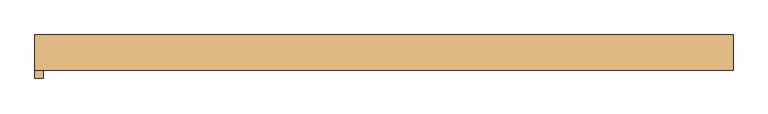
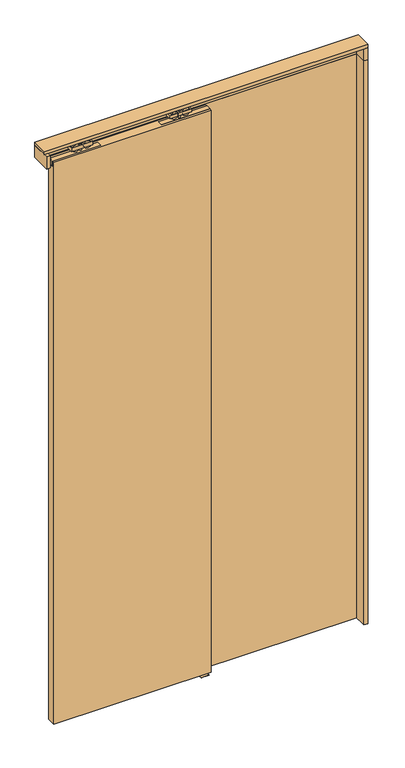
"""IFC4 building model written with IfcOpenShell, lengths in millimetres: door geometry."""

import ifcopenshell
import ifcopenshell.guid

model = None  # the IFC model being written
_history = None  # IfcOwnerHistory: only IFC2X3 demands one
_inside = {}  # id of a spatial element -> (the spatial element, [elements in it])
_under = {}  # id of a project, library or spatial element -> (it, [spatial elements below it])
_declared = {}  # id of a project -> (the project, [libraries it declares])
_typed = {}  # id of a type object -> (the type object, [elements of that type])
_made_of = {}  # id of a material, layer set ... -> (it, [elements and type objects made of it])


def new_model(schema):
    """Start an empty IFC model of exactly this schema.

    Asked for "IFC4X3", IfcOpenShell would pick the latest addendum, in which some entities
    have other attributes; the version numbers below select the first issue.
    IFC2X3 requires an IfcOwnerHistory on every rooted entity: one is made here for all.
    """
    global model, _history
    if schema == "IFC4X3":
        model = ifcopenshell.file(schema_version=(4, 3, 0, 0))
    else:
        model = ifcopenshell.file(schema=schema)
    _inside.clear()
    _under.clear()
    _declared.clear()
    _typed.clear()
    _made_of.clear()
    _history = None
    if model.schema == "IFC2X3":
        org = make("IfcOrganization", Name="unknown")
        user = make(
            "IfcPersonAndOrganization",
            ThePerson=make("IfcPerson", FamilyName="unknown"),
            TheOrganization=org,
        )
        app = make(
            "IfcApplication",
            ApplicationDeveloper=org,
            Version="unknown",
            ApplicationFullName="unknown",
            ApplicationIdentifier="unknown",
        )
        _history = make(
            "IfcOwnerHistory",
            OwningUser=user,
            OwningApplication=app,
            ChangeAction="ADDED",
            CreationDate=0,
        )
    return model


def make(cls, **values):
    """One entity of the class cls with the attributes given. An attribute that is None is left unset."""
    return model.create_entity(
        cls, **{name: value for name, value in values.items() if value is not None}
    )


def rooted(cls, **values):
    """An entity with a GlobalId (a new one), such as an element, a storey or a relation."""
    return make(cls, GlobalId=ifcopenshell.guid.new(), OwnerHistory=_history, **values)


def si_unit(unit_type, name, prefix=None):
    """IfcSIUnit, for example si_unit("LENGTHUNIT", "METRE", prefix="MILLI")."""
    return make("IfcSIUnit", UnitType=unit_type, Prefix=prefix, Name=name)


def assignment(units):
    """IfcUnitAssignment: the units of a project."""
    return None if units is None else make("IfcUnitAssignment", Units=units)


def point(xyz):
    """IfcCartesianPoint."""
    return None if xyz is None else make("IfcCartesianPoint", Coordinates=xyz)


def direction(xyz):
    """IfcDirection."""
    return None if xyz is None else make("IfcDirection", DirectionRatios=xyz)


def frame(location, z_axis=None, x_axis=None):
    """IfcAxis2Placement3D, a coordinate frame: its origin and axes. An axis left out is left unset."""
    return make(
        "IfcAxis2Placement3D",
        Location=point(location),
        Axis=direction(z_axis),
        RefDirection=direction(x_axis),
    )


def origin():
    """The frame at (0, 0, 0) with its axes left unset."""
    return frame((0.0, 0.0, 0.0))


def origin_with_axes():
    """The frame at (0, 0, 0) with the z axis (0, 0, 1) and the x axis (1, 0, 0) written out."""
    return frame((0.0, 0.0, 0.0), z_axis=(0.0, 0.0, 1.0), x_axis=(1.0, 0.0, 0.0))


def place(relative_to, where):
    """IfcLocalPlacement: puts the frame where relative to a parent placement (None: the world)."""
    return make(
        "IfcLocalPlacement", PlacementRelTo=relative_to, RelativePlacement=where
    )


def context(
    kind, dimensions, precision=None, world=None, true_north=None, identifier=None
):
    """IfcGeometricRepresentationContext, for example the 3D "Model" context."""
    return make(
        "IfcGeometricRepresentationContext",
        ContextIdentifier=identifier,
        ContextType=kind,
        CoordinateSpaceDimension=dimensions,
        Precision=precision,
        WorldCoordinateSystem=world,
        TrueNorth=true_north,
    )


def project(units=None, contexts=None):
    """IfcProject with its units and contexts."""
    return rooted(
        "IfcProject",
        Name="project",
        RepresentationContexts=contexts,
        UnitsInContext=assignment(units),
    )


def spatial(cls, under=None, at=None, **own):
    """A site, building, storey or space (cls), placed at a placement, below another one or the project."""
    s = rooted(cls, ObjectPlacement=at, **own)
    if under is not None:
        _under.setdefault(under.id(), (under, []))[1].append(s)
    return s


def polyline(points):
    """IfcPolyline through the points."""
    return make("IfcPolyline", Points=[point(p) for p in points])


def circle_curve(where, radius):
    """IfcCircle in the frame where."""
    return make("IfcCircle", Position=where, Radius=radius)


def outline(outer, holes=None, kind="AREA"):
    """IfcArbitraryClosedProfileDef: a profile drawn as a closed curve; with holes, ...WithVoids."""
    if holes is None:
        return make("IfcArbitraryClosedProfileDef", ProfileType=kind, OuterCurve=outer)
    return make(
        "IfcArbitraryProfileDefWithVoids",
        ProfileType=kind,
        OuterCurve=outer,
        InnerCurves=holes,
    )


def extrude(swept, where, along, depth):
    """IfcExtrudedAreaSolid: the profile swept, set in the frame where, extruded along a direction by depth."""
    return make(
        "IfcExtrudedAreaSolid",
        SweptArea=swept,
        Position=where,
        ExtrudedDirection=direction(along),
        Depth=depth,
    )


def shape(context_of_items, identifier, shape_type, items):
    """IfcShapeRepresentation: the items that make up one representation, for example the "Body"."""
    return make(
        "IfcShapeRepresentation",
        ContextOfItems=context_of_items,
        RepresentationIdentifier=identifier,
        RepresentationType=shape_type,
        Items=items,
    )


def source(mapping_origin, context_of_items, identifier, shape_type, items):
    """IfcRepresentationMap: a shape defined once, which mapped items show again and again."""
    return make(
        "IfcRepresentationMap",
        MappingOrigin=mapping_origin,
        MappedRepresentation=shape(context_of_items, identifier, shape_type, items),
    )


def transform(
    local_origin,
    x_axis=None,
    y_axis=None,
    z_axis=None,
    scale=None,
    scale2=None,
    scale3=None,
    uniform=True,
):
    """IfcCartesianTransformationOperator3D, or its non-uniform kind. x_axis, y_axis, z_axis: its Axis1, 2, 3."""
    if uniform:
        return make(
            "IfcCartesianTransformationOperator3D",
            Axis1=direction(x_axis),
            Axis2=direction(y_axis),
            LocalOrigin=point(local_origin),
            Scale=scale,
            Axis3=direction(z_axis),
        )
    return make(
        "IfcCartesianTransformationOperator3DnonUniform",
        Axis1=direction(x_axis),
        Axis2=direction(y_axis),
        LocalOrigin=point(local_origin),
        Scale=scale,
        Axis3=direction(z_axis),
        Scale2=scale2,
        Scale3=scale3,
    )


def mapped(mapping_source, mapping_target):
    """IfcMappedItem: shows the shape of a source again, moved by a transform."""
    return make(
        "IfcMappedItem", MappingSource=mapping_source, MappingTarget=mapping_target
    )


def made_of(thing, what):
    """Note that an element or type object is made of a material, layer set ...; save() writes the relation."""
    if what is not None:
        _made_of.setdefault(what.id(), (what, []))[1].append(thing)
    return thing


def element(
    cls,
    number,
    at=None,
    inside=None,
    cuts=None,
    type_object=None,
    material=None,
    context=None,
    identifier="Body",
    shape_type=None,
    held_by="IfcProductDefinitionShape",
    body=None,
    shapes=None,
    **own,
):
    """One element of the class cls, such as IfcWall. Its Tag is "e" and its number.

    at: its placement. inside: the storey or other place that contains it. cuts: it is an
    opening in that element (IfcRelVoidsElement). A single representation is given by context,
    identifier, shape_type and body (its items); several are given by shapes. held_by: the class
    of the entity that holds the representations. save() writes the other relations.
    """
    e = rooted(cls, Tag="e%d" % number, ObjectPlacement=at, **own)
    if body is not None:
        shapes = [shape(context, identifier, shape_type, body)]
    if shapes is not None:
        e.Representation = make(held_by, Representations=shapes)
    if inside is not None:
        _inside.setdefault(inside.id(), (inside, []))[1].append(e)
    if cuts is not None:
        rooted(
            "IfcRelVoidsElement", RelatingBuildingElement=cuts, RelatedOpeningElement=e
        )
    if type_object is not None:
        _typed.setdefault(type_object.id(), (type_object, []))[1].append(e)
    return made_of(e, material)


def aggregate(whole, parts):
    """IfcRelAggregates: a whole, such as a stair, and the parts it consists of."""
    return rooted("IfcRelAggregates", RelatingObject=whole, RelatedObjects=parts)


def save(model, path):
    """Write the relations noted so far, then the file.

    IfcRelAggregates (storeys below a building ...), IfcRelContainedInSpatialStructure (elements
    in a storey), IfcRelDefinesByType, IfcRelAssociatesMaterial and IfcRelDeclares: one each for
    every whole, place, type object, material and project.
    """
    for whole, parts in _under.values():
        aggregate(whole, parts)
    for where, things in _inside.values():
        rooted(
            "IfcRelContainedInSpatialStructure",
            RelatedElements=things,
            RelatingStructure=where,
        )
    for kind, things in _typed.values():
        rooted("IfcRelDefinesByType", RelatedObjects=things, RelatingType=kind)
    for what, things in _made_of.values():
        rooted("IfcRelAssociatesMaterial", RelatedObjects=things, RelatingMaterial=what)
    for by, libraries in _declared.values():
        rooted("IfcRelDeclares", RelatingContext=by, RelatedDefinitions=libraries)
    model.write(path)


def plane_surface(at):
    """IfcPlane: the flat surface through the origin of the frame at, square to its z axis."""
    return make("IfcPlane", Position=at)


def cylinder_surface(at, radius):
    """IfcCylindricalSurface: all points at the distance radius from the z axis of the frame at."""
    return make("IfcCylindricalSurface", Position=at, Radius=radius)


def advanced_brep(points, edges, surfaces, faces):
    """IfcAdvancedBrep: a solid bounded by faces that lie on surfaces and meet in shared edges.

    An edge is (start, end): straight between two places in points (the first is 0);
    or (start, end, curve); or (start, end, curve, False) where it runs against its curve.
    A face is (place in surfaces, loops), or (place, loops, False) where it looks against
    its surface's normal. A loop lists edges by number (the first is 1), with a minus sign
    where the edge is run from its end to its start. The first loop is the outer one.
    """
    corners = [point(p) for p in points]
    vertices = [make("IfcVertexPoint", VertexGeometry=c) for c in corners]
    made = []
    for start, end, *more in edges:
        made.append(
            make(
                "IfcEdgeCurve",
                EdgeStart=vertices[start],
                EdgeEnd=vertices[end],
                EdgeGeometry=more[0] if more else make("IfcPolyline", Points=[corners[start], corners[end]]),
                SameSense=more[1] if len(more) > 1 else True,
            )
        )
    hull = []
    for where, loops, *sense in faces:
        bounds = []
        for j, loop in enumerate(loops):
            ring = [make("IfcOrientedEdge", EdgeElement=made[abs(k) - 1], Orientation=k > 0) for k in loop]
            bounds.append(
                make(
                    "IfcFaceOuterBound" if j == 0 else "IfcFaceBound",
                    Bound=make("IfcEdgeLoop", EdgeList=ring),
                    Orientation=True,
                )
            )
        hull.append(make("IfcAdvancedFace", Bounds=bounds, FaceSurface=surfaces[where], SameSense=sense[0] if sense else True))
    return make("IfcAdvancedBrep", Outer=make("IfcClosedShell", CfsFaces=hull))


def door_fdaab7ad(model_context):
    return source(origin(), model_context, "Body", "SolidModel", [
        advanced_brep(
        [(-520.0, -5.75, 2687.5), (-425.0, -5.75, 2687.5), (-425.0, 20.25, 2687.5), (-520.0, 20.25, 2687.5), (-462.072332, 17.9531798, 2687.5), (-431.78306, 17.9531798, 2687.5), (-431.78306, -3.4531798, 2687.5), (-462.072332, -3.4531798, 2687.5), (-513.21694, 17.9531798, 2687.5), (-482.927668, 17.9531798, 2687.5), (-482.927668, -3.4531798, 2687.5), (-513.21694, -3.4531798, 2687.5), (-477.45, 7.25, 2687.5), (-467.55, 7.25, 2687.5), (-520.0, -5.75, 2672.5), (-520.0, 20.25, 2672.5), (-425.0, 20.25, 2672.5), (-425.0, -5.75, 2672.5), (-431.78306, 17.9531798, 2672.5), (-462.072332, 17.9531798, 2672.5), (-462.072332, -3.4531798, 2672.5), (-431.78306, -3.4531798, 2672.5), (-482.927668, 17.9531798, 2672.5), (-513.21694, 17.9531798, 2672.5), (-513.21694, -3.4531798, 2672.5), (-482.927668, -3.4531798, 2672.5), (-467.55, 7.25, 2672.5), (-477.45, 7.25, 2672.5), (-467.55, 7.25, 2693.0), (-477.45, 7.25, 2693.0), (-467.55, 7.25, 2656.0), (-477.45, 7.25, 2656.0)],
        [
            (0, 1),
            (1, 2),
            (2, 3),
            (3, 0),
            (4, 5),
            (5, 6),
            (6, 7),
            (7, 4),
            (8, 9),
            (9, 10),
            (10, 11),
            (11, 8),
            (12, 13, circle_curve(frame((-472.5, 7.25, 2687.5), z_axis=(0.0, 0.0, -1.0), x_axis=(-1.0, 0.0, 0.0)), 4.95)),
            (13, 12, circle_curve(frame((-472.5, 7.25, 2687.5), z_axis=(0.0, 0.0, -1.0), x_axis=(-1.0, 0.0, 0.0)), 4.95)),
            (14, 15),
            (15, 16),
            (16, 17),
            (17, 14),
            (18, 19),
            (19, 20),
            (20, 21),
            (21, 18),
            (22, 23),
            (23, 24),
            (24, 25),
            (25, 22),
            (26, 27, circle_curve(frame((-472.5, 7.25, 2672.5), z_axis=(0.0, 0.0, 1.0), x_axis=(-1.0, 0.0, 0.0)), 4.95)),
            (27, 26, circle_curve(frame((-472.5, 7.25, 2672.5), z_axis=(0.0, 0.0, 1.0), x_axis=(-1.0, 0.0, 0.0)), 4.95)),
            (0, 14),
            (17, 1),
            (16, 2),
            (15, 3),
            (4, 5, circle_curve(frame((-446.927696, 17.9531798, 2680.0), z_axis=(0.0, 1.0, 0.0), x_axis=(-1.0, 0.0, 0.0)), 16.9)),
            (18, 19, circle_curve(frame((-446.927696, 17.9531798, 2680.0), z_axis=(0.0, 1.0, 0.0), x_axis=(-1.0, 0.0, 0.0)), 16.9)),
            (6, 7, circle_curve(frame((-446.927696, -3.4531798, 2680.0), z_axis=(0.0, -1.0, 0.0), x_axis=(-1.0, 0.0, 0.0)), 16.9)),
            (20, 21, circle_curve(frame((-446.927696, -3.4531798, 2680.0), z_axis=(0.0, -1.0, 0.0), x_axis=(-1.0, 0.0, 0.0)), 16.9)),
            (8, 9, circle_curve(frame((-498.072304, 17.9531798, 2680.0), z_axis=(0.0, 1.0, 0.0), x_axis=(1.0, 0.0, 0.0)), 16.9)),
            (22, 23, circle_curve(frame((-498.072304, 17.9531798, 2680.0), z_axis=(0.0, 1.0, 0.0), x_axis=(1.0, 0.0, 0.0)), 16.9)),
            (10, 11, circle_curve(frame((-498.072304, -3.4531798, 2680.0), z_axis=(0.0, -1.0, 0.0), x_axis=(1.0, 0.0, 0.0)), 16.9)),
            (24, 25, circle_curve(frame((-498.072304, -3.4531798, 2680.0), z_axis=(0.0, -1.0, 0.0), x_axis=(1.0, 0.0, 0.0)), 16.9)),
            (28, 29, circle_curve(frame((-472.5, 7.25, 2693.0), z_axis=(0.0, 0.0, 1.0), x_axis=(-1.0, 0.0, 0.0)), 4.95)),
            (29, 28, circle_curve(frame((-472.5, 7.25, 2693.0), z_axis=(0.0, 0.0, 1.0), x_axis=(-1.0, 0.0, 0.0)), 4.95)),
            (30, 31, circle_curve(frame((-472.5, 7.25, 2656.0), z_axis=(0.0, 0.0, -1.0), x_axis=(-1.0, 0.0, 0.0)), 4.95)),
            (31, 30, circle_curve(frame((-472.5, 7.25, 2656.0), z_axis=(0.0, 0.0, -1.0), x_axis=(-1.0, 0.0, 0.0)), 4.95)),
            (28, 13),
            (12, 29),
            (31, 27),
            (26, 30),
        ],
        [
            plane_surface(frame((-425.0, -5.75, 2687.5), z_axis=(0.0, 0.0, 1.0), x_axis=(1.0, 0.0, 0.0))),
            plane_surface(frame((-425.0, -5.75, 2672.5), z_axis=(0.0, 0.0, -1.0), x_axis=(-1.0, 0.0, 0.0))),
            plane_surface(frame((-520.0, -5.75, 2687.5), z_axis=(0.0, -1.0, 0.0), x_axis=(0.0, 0.0, -1.0))),
            plane_surface(frame((-425.0, -5.75, 2687.5), z_axis=(1.0, 0.0, 0.0), x_axis=(0.0, 0.0, -1.0))),
            plane_surface(frame((-425.0, 20.25, 2687.5), z_axis=(0.0, 1.0, 0.0), x_axis=(0.0, 0.0, -1.0))),
            plane_surface(frame((-520.0, 20.25, 2687.5), z_axis=(-1.0, 0.0, 0.0), x_axis=(0.0, 0.0, -1.0))),
            plane_surface(frame((-463.827696, 17.9531798, 2680.0), z_axis=(0.0, 1.0, 0.0), x_axis=(0.0, 0.0, 1.0))),
            plane_surface(frame((-463.827696, -3.4531798, 2680.0), z_axis=(0.0, -1.0, 0.0), x_axis=(0.0, 0.0, -1.0))),
            cylinder_surface(frame((-446.927696, -3.4531798, 2680.0), z_axis=(0.0, 1.0, 0.0), x_axis=(-1.0, 0.0, 0.0)), 16.9),
            plane_surface(frame((-481.172304, 17.9531798, 2680.0), z_axis=(0.0, 1.0, 0.0), x_axis=(0.0, 0.0, -1.0))),
            plane_surface(frame((-481.172304, -3.4531798, 2680.0), z_axis=(0.0, -1.0, 0.0), x_axis=(0.0, 0.0, 1.0))),
            cylinder_surface(frame((-498.072304, -3.4531798, 2680.0), z_axis=(0.0, 1.0, 0.0), x_axis=(1.0, 0.0, 0.0)), 16.9),
            plane_surface(frame((-477.45, 7.25, 2693.0), z_axis=(0.0, 0.0, 1.0), x_axis=(0.0, -1.0, 0.0))),
            plane_surface(frame((-477.45, 7.25, 2656.0), z_axis=(0.0, 0.0, -1.0), x_axis=(0.0, 1.0, 0.0))),
            cylinder_surface(frame((-472.5, 7.25, 2656.0), z_axis=(0.0, 0.0, 1.0), x_axis=(-1.0, 0.0, 0.0)), 4.95),
        ],
        [
            (0, [[1, 2, 3, 4], [5, 6, 7, 8], [9, 10, 11, 12], [13, 14]]),
            (1, [[15, 16, 17, 18], [19, 20, 21, 22], [23, 24, 25, 26], [27, 28]]),
            (2, [[-1, 29, -18, 30]]),
            (3, [[-2, -30, -17, 31]]),
            (4, [[-3, -31, -16, 32]]),
            (5, [[-4, -32, -15, -29]]),
            (6, [[33, -5]]),
            (6, [[34, -19]]),
            (7, [[35, -7]]),
            (7, [[36, -21]]),
            (8, [[-34, -22, -36, -20]]),
            (8, [[-33, -8, -35, -6]]),
            (9, [[37, -9]]),
            (9, [[38, -23]]),
            (10, [[39, -11]]),
            (10, [[40, -25]]),
            (11, [[-38, -26, -40, -24]]),
            (11, [[-37, -12, -39, -10]]),
            (12, [[41, 42]]),
            (13, [[43, 44]]),
            (14, [[-41, 45, -13, 46]]),
            (14, [[-44, 47, -27, 48]]),
            (14, [[-42, -46, -14, -45]]),
            (14, [[-43, -48, -28, -47]]),
        ],
    ),
        extrude(outline(polyline([(-603.5, 18.5074263), (-388.5, 18.5074263), (-388.5, -3.4925737), (-603.5, -3.4925737), (-603.5, 18.5074263)])), frame((0.0, 0.0, 2631.2), z_axis=(0.0, 0.0, 1.0), x_axis=(1.0, 0.0, 0.0)), (0.0, 0.0, 1.0), 24.8),
        advanced_brep(
        [(15.0, -5.75, 2687.5), (15.0, 20.25, 2687.5), (-80.0, 20.25, 2687.5), (-80.0, -5.75, 2687.5), (-42.927668, 17.9531798, 2687.5), (-42.927668, -3.4531798, 2687.5), (-73.21694, -3.4531798, 2687.5), (-73.21694, 17.9531798, 2687.5), (8.21694, 17.9531798, 2687.5), (8.21694, -3.4531798, 2687.5), (-22.072332, -3.4531798, 2687.5), (-22.072332, 17.9531798, 2687.5), (-27.55, 7.25, 2687.5), (-37.45, 7.25, 2687.5), (15.0, -5.75, 2672.5), (-80.0, -5.75, 2672.5), (-80.0, 20.25, 2672.5), (15.0, 20.25, 2672.5), (-73.21694, 17.9531798, 2672.5), (-73.21694, -3.4531798, 2672.5), (-42.927668, -3.4531798, 2672.5), (-42.927668, 17.9531798, 2672.5), (-22.072332, 17.9531798, 2672.5), (-22.072332, -3.4531798, 2672.5), (8.21694, -3.4531798, 2672.5), (8.21694, 17.9531798, 2672.5), (-37.45, 7.25, 2672.5), (-27.55, 7.25, 2672.5), (-37.45, 7.25, 2693.0), (-27.55, 7.25, 2693.0), (-37.45, 7.25, 2656.0), (-27.55, 7.25, 2656.0)],
        [
            (0, 1),
            (1, 2),
            (2, 3),
            (3, 0),
            (4, 5),
            (5, 6),
            (6, 7),
            (7, 4),
            (8, 9),
            (9, 10),
            (10, 11),
            (11, 8),
            (12, 13, circle_curve(frame((-32.5, 7.25, 2687.5), z_axis=(0.0, 0.0, -1.0), x_axis=(1.0, 0.0, 0.0)), 4.95)),
            (13, 12, circle_curve(frame((-32.5, 7.25, 2687.5), z_axis=(0.0, 0.0, -1.0), x_axis=(1.0, 0.0, 0.0)), 4.95)),
            (14, 15),
            (15, 16),
            (16, 17),
            (17, 14),
            (18, 19),
            (19, 20),
            (20, 21),
            (21, 18),
            (22, 23),
            (23, 24),
            (24, 25),
            (25, 22),
            (26, 27, circle_curve(frame((-32.5, 7.25, 2672.5), z_axis=(0.0, 0.0, 1.0), x_axis=(1.0, 0.0, 0.0)), 4.95)),
            (27, 26, circle_curve(frame((-32.5, 7.25, 2672.5), z_axis=(0.0, 0.0, 1.0), x_axis=(1.0, 0.0, 0.0)), 4.95)),
            (3, 15),
            (14, 0),
            (2, 16),
            (1, 17),
            (7, 4, circle_curve(frame((-58.072304, 17.9531798, 2680.0), z_axis=(0.0, 1.0, 0.0), x_axis=(1.0, 0.0, 0.0)), 16.9)),
            (21, 18, circle_curve(frame((-58.072304, 17.9531798, 2680.0), z_axis=(0.0, 1.0, 0.0), x_axis=(1.0, 0.0, 0.0)), 16.9)),
            (5, 6, circle_curve(frame((-58.072304, -3.4531798, 2680.0), z_axis=(0.0, -1.0, 0.0), x_axis=(1.0, 0.0, 0.0)), 16.9)),
            (19, 20, circle_curve(frame((-58.072304, -3.4531798, 2680.0), z_axis=(0.0, -1.0, 0.0), x_axis=(1.0, 0.0, 0.0)), 16.9)),
            (11, 8, circle_curve(frame((-6.927696, 17.9531798, 2680.0), z_axis=(0.0, 1.0, 0.0), x_axis=(-1.0, 0.0, 0.0)), 16.9)),
            (25, 22, circle_curve(frame((-6.927696, 17.9531798, 2680.0), z_axis=(0.0, 1.0, 0.0), x_axis=(-1.0, 0.0, 0.0)), 16.9)),
            (9, 10, circle_curve(frame((-6.927696, -3.4531798, 2680.0), z_axis=(0.0, -1.0, 0.0), x_axis=(-1.0, 0.0, 0.0)), 16.9)),
            (23, 24, circle_curve(frame((-6.927696, -3.4531798, 2680.0), z_axis=(0.0, -1.0, 0.0), x_axis=(-1.0, 0.0, 0.0)), 16.9)),
            (28, 29, circle_curve(frame((-32.5, 7.25, 2693.0), z_axis=(0.0, 0.0, 1.0), x_axis=(1.0, 0.0, 0.0)), 4.95)),
            (29, 28, circle_curve(frame((-32.5, 7.25, 2693.0), z_axis=(0.0, 0.0, 1.0), x_axis=(1.0, 0.0, 0.0)), 4.95)),
            (30, 31, circle_curve(frame((-32.5, 7.25, 2656.0), z_axis=(0.0, 0.0, -1.0), x_axis=(1.0, 0.0, 0.0)), 4.95)),
            (31, 30, circle_curve(frame((-32.5, 7.25, 2656.0), z_axis=(0.0, 0.0, -1.0), x_axis=(1.0, 0.0, 0.0)), 4.95)),
            (30, 26),
            (27, 31),
            (29, 12),
            (13, 28),
        ],
        [
            plane_surface(frame((-80.0, -5.75, 2687.5), z_axis=(0.0, 0.0, 1.0), x_axis=(-1.0, 0.0, 0.0))),
            plane_surface(frame((-80.0, -5.75, 2672.5), z_axis=(0.0, 0.0, -1.0), x_axis=(1.0, 0.0, 0.0))),
            plane_surface(frame((15.0, -5.75, 2687.5), z_axis=(0.0, -1.0, 0.0), x_axis=(0.0, 0.0, -1.0))),
            plane_surface(frame((-80.0, -5.75, 2687.5), z_axis=(-1.0, 0.0, 0.0), x_axis=(0.0, 0.0, -1.0))),
            plane_surface(frame((-80.0, 20.25, 2687.5), z_axis=(0.0, 1.0, 0.0), x_axis=(0.0, 0.0, -1.0))),
            plane_surface(frame((15.0, 20.25, 2687.5), z_axis=(1.0, 0.0, 0.0), x_axis=(0.0, 0.0, -1.0))),
            plane_surface(frame((-41.172304, 17.9531798, 2680.0), z_axis=(0.0, 1.0, 0.0), x_axis=(0.0, 0.0, 1.0))),
            plane_surface(frame((-41.172304, -3.4531798, 2680.0), z_axis=(0.0, -1.0, 0.0), x_axis=(0.0, 0.0, -1.0))),
            cylinder_surface(frame((-58.072304, -3.4531798, 2680.0), z_axis=(0.0, 1.0, 0.0), x_axis=(1.0, 0.0, 0.0)), 16.9),
            plane_surface(frame((-23.827696, 17.9531798, 2680.0), z_axis=(0.0, 1.0, 0.0), x_axis=(0.0, 0.0, -1.0))),
            plane_surface(frame((-23.827696, -3.4531798, 2680.0), z_axis=(0.0, -1.0, 0.0), x_axis=(0.0, 0.0, 1.0))),
            cylinder_surface(frame((-6.927696, -3.4531798, 2680.0), z_axis=(0.0, 1.0, 0.0), x_axis=(-1.0, 0.0, 0.0)), 16.9),
            plane_surface(frame((-27.55, 7.25, 2693.0), z_axis=(0.0, 0.0, 1.0), x_axis=(0.0, -1.0, 0.0))),
            plane_surface(frame((-27.55, 7.25, 2656.0), z_axis=(0.0, 0.0, -1.0), x_axis=(0.0, 1.0, 0.0))),
            cylinder_surface(frame((-32.5, 7.25, 2656.0), z_axis=(0.0, 0.0, 1.0), x_axis=(1.0, 0.0, 0.0)), 4.95),
        ],
        [
            (0, [[1, 2, 3, 4], [5, 6, 7, 8], [9, 10, 11, 12], [13, 14]]),
            (1, [[15, 16, 17, 18], [19, 20, 21, 22], [23, 24, 25, 26], [27, 28]]),
            (2, [[29, -15, 30, -4]]),
            (3, [[31, -16, -29, -3]]),
            (4, [[32, -17, -31, -2]]),
            (5, [[-30, -18, -32, -1]]),
            (6, [[-8, 33]]),
            (6, [[-22, 34]]),
            (7, [[-6, 35]]),
            (7, [[-20, 36]]),
            (8, [[-21, -36, -19, -34]]),
            (8, [[-7, -35, -5, -33]]),
            (9, [[-12, 37]]),
            (9, [[-26, 38]]),
            (10, [[-10, 39]]),
            (10, [[-24, 40]]),
            (11, [[-25, -40, -23, -38]]),
            (11, [[-11, -39, -9, -37]]),
            (12, [[41, 42]]),
            (13, [[43, 44]]),
            (14, [[45, -28, 46, -43]]),
            (14, [[47, -14, 48, -42]]),
            (14, [[-48, -13, -47, -41]]),
            (14, [[-46, -27, -45, -44]]),
        ],
    ),
        extrude(outline(polyline([(98.5, 18.5074263), (98.5, -3.4925737), (-116.5, -3.4925737), (-116.5, 18.5074263), (98.5, 18.5074263)])), frame((0.0, 0.0, 2631.2), z_axis=(0.0, 0.0, 1.0), x_axis=(1.0, 0.0, 0.0)), (0.0, 0.0, 1.0), 24.8),
        extrude(outline(polyline([(-602.5, -12.75), (-602.5, 27.25), (97.5, 27.25), (97.5, -12.75), (-602.5, -12.75)])), frame((0.0, 0.0, 10.0), z_axis=(0.0, 0.0, 1.0), x_axis=(1.0, 0.0, 0.0)), (0.0, 0.0, 1.0), 2646.0),
        extrude(outline(polyline([(-15.3483682, 2.0), (-1.6516318, 2.0), (-1.6516318, 26.0), (2.6516318, 26.0), (2.6516318, 2.0), (21.25, 2.0), (21.25, 0.0), (-15.3483682, 0.0), (-15.3483682, 2.0)])), frame((52.5, 0.0, 0.0), z_axis=(1.0, 0.0, 0.0), x_axis=(0.0, 1.0, 0.0)), (0.0, 0.0, 1.0), 35.0),
        extrude(outline(polyline([(-649.5, 52.25), (775.5, 52.25), (775.5, 35.25), (-632.5, 35.25), (-632.5, -37.75), (-649.5, -37.75), (-649.5, 52.25)])), frame((0.0, 0.0, 2655.0), z_axis=(0.0, 0.0, 1.0), x_axis=(1.0, 0.0, 0.0)), (0.0, 0.0, 1.0), 57.0),
        extrude(outline(polyline([(792.5, -20.75), (-649.5, -20.75), (-649.5, 52.25), (792.5, 52.25), (792.5, -20.75)])), frame((0.0, 0.0, 2712.0), z_axis=(0.0, 0.0, 1.0), x_axis=(1.0, 0.0, 0.0)), (0.0, 0.0, 1.0), 15.0),
        extrude(outline(polyline([(792.5, 52.25), (792.5, -20.75), (775.5, -20.75), (775.5, 52.25), (792.5, 52.25)])), frame((0.0, 0.0, 2655.0), z_axis=(0.0, 0.0, 1.0), x_axis=(1.0, 0.0, 0.0)), (0.0, 0.0, 1.0), 57.0),
        extrude(outline(polyline([(792.5, -20.75), (775.5, -20.75), (775.5, 52.25), (792.5, 52.25), (792.5, -20.75)])), origin_with_axes(), (0.0, 0.0, 1.0), 2655.0),
        extrude(outline(polyline([(775.5, 35.25), (47.5, 35.25), (47.5, 52.25), (775.5, 52.25), (775.5, 35.25)])), origin_with_axes(), (0.0, 0.0, 1.0), 2655.0),
    ])


if __name__ == "__main__":
    model = new_model("IFC4")
    model_context = context("Model", 3, world=origin())
    ifc_project = project(units=[si_unit("LENGTHUNIT", "METRE", prefix="MILLI")], contexts=[model_context])
    site = spatial("IfcSite", under=ifc_project)
    building = spatial("IfcBuilding", under=site)
    placement = place(None, origin())
    door_shape = door_fdaab7ad(model_context)
    element("IfcDoor", 1, at=placement, inside=building, context=model_context, shape_type="MappedRepresentation", body=[
        mapped(door_shape, transform((0.0, 0.0, 0.0), x_axis=(1.0, 0.0, 0.0), y_axis=(0.0, 1.0, 0.0), z_axis=(0.0, 0.0, 1.0))),
    ])
    save(model, "model.ifc")
